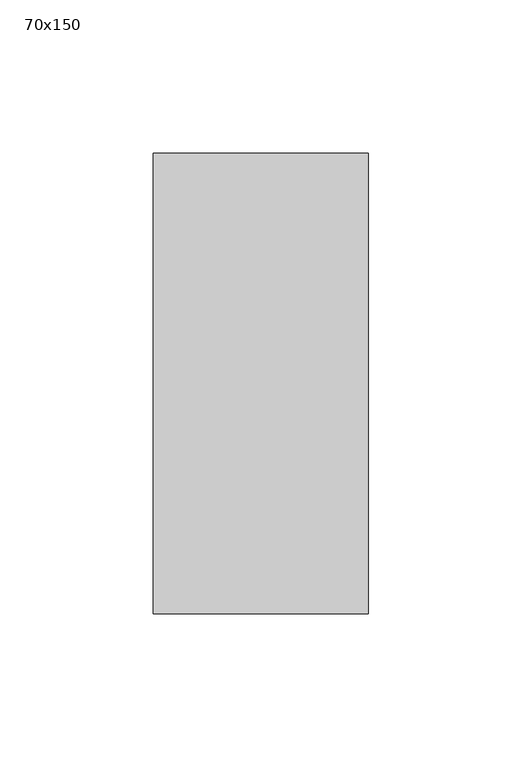
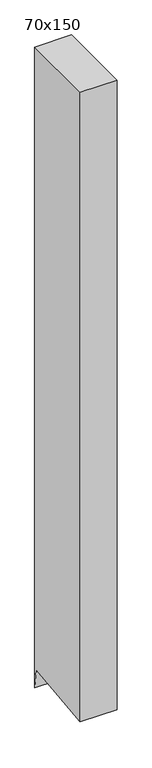
"""IFC4 building model written with IfcOpenShell, lengths in millimetres: member geometry, 70x150."""

import ifcopenshell
import ifcopenshell.guid

model = None  # the IFC model being written
_history = None  # IfcOwnerHistory: only IFC2X3 demands one
_inside = {}  # id of a spatial element -> (the spatial element, [elements in it])
_under = {}  # id of a project, library or spatial element -> (it, [spatial elements below it])
_declared = {}  # id of a project -> (the project, [libraries it declares])
_typed = {}  # id of a type object -> (the type object, [elements of that type])
_made_of = {}  # id of a material, layer set ... -> (it, [elements and type objects made of it])


def new_model(schema):
    """Start an empty IFC model of exactly this schema.

    Asked for "IFC4X3", IfcOpenShell would pick the latest addendum, in which some entities
    have other attributes; the version numbers below select the first issue.
    IFC2X3 requires an IfcOwnerHistory on every rooted entity: one is made here for all.
    """
    global model, _history
    if schema == "IFC4X3":
        model = ifcopenshell.file(schema_version=(4, 3, 0, 0))
    else:
        model = ifcopenshell.file(schema=schema)
    _inside.clear()
    _under.clear()
    _declared.clear()
    _typed.clear()
    _made_of.clear()
    _history = None
    if model.schema == "IFC2X3":
        org = make("IfcOrganization", Name="unknown")
        user = make(
            "IfcPersonAndOrganization",
            ThePerson=make("IfcPerson", FamilyName="unknown"),
            TheOrganization=org,
        )
        app = make(
            "IfcApplication",
            ApplicationDeveloper=org,
            Version="unknown",
            ApplicationFullName="unknown",
            ApplicationIdentifier="unknown",
        )
        _history = make(
            "IfcOwnerHistory",
            OwningUser=user,
            OwningApplication=app,
            ChangeAction="ADDED",
            CreationDate=0,
        )
    return model


def make(cls, **values):
    """One entity of the class cls with the attributes given. An attribute that is None is left unset."""
    return model.create_entity(
        cls, **{name: value for name, value in values.items() if value is not None}
    )


def rooted(cls, **values):
    """An entity with a GlobalId (a new one), such as an element, a storey or a relation."""
    return make(cls, GlobalId=ifcopenshell.guid.new(), OwnerHistory=_history, **values)


def si_unit(unit_type, name, prefix=None):
    """IfcSIUnit, for example si_unit("LENGTHUNIT", "METRE", prefix="MILLI")."""
    return make("IfcSIUnit", UnitType=unit_type, Prefix=prefix, Name=name)


def assignment(units):
    """IfcUnitAssignment: the units of a project."""
    return None if units is None else make("IfcUnitAssignment", Units=units)


def point(xyz):
    """IfcCartesianPoint."""
    return None if xyz is None else make("IfcCartesianPoint", Coordinates=xyz)


def direction(xyz):
    """IfcDirection."""
    return None if xyz is None else make("IfcDirection", DirectionRatios=xyz)


def frame(location, z_axis=None, x_axis=None):
    """IfcAxis2Placement3D, a coordinate frame: its origin and axes. An axis left out is left unset."""
    return make(
        "IfcAxis2Placement3D",
        Location=point(location),
        Axis=direction(z_axis),
        RefDirection=direction(x_axis),
    )


def origin():
    """The frame at (0, 0, 0) with its axes left unset."""
    return frame((0.0, 0.0, 0.0))


def place(relative_to, where):
    """IfcLocalPlacement: puts the frame where relative to a parent placement (None: the world)."""
    return make(
        "IfcLocalPlacement", PlacementRelTo=relative_to, RelativePlacement=where
    )


def context(
    kind, dimensions, precision=None, world=None, true_north=None, identifier=None
):
    """IfcGeometricRepresentationContext, for example the 3D "Model" context."""
    return make(
        "IfcGeometricRepresentationContext",
        ContextIdentifier=identifier,
        ContextType=kind,
        CoordinateSpaceDimension=dimensions,
        Precision=precision,
        WorldCoordinateSystem=world,
        TrueNorth=true_north,
    )


def project(units=None, contexts=None):
    """IfcProject with its units and contexts."""
    return rooted(
        "IfcProject",
        Name="project",
        RepresentationContexts=contexts,
        UnitsInContext=assignment(units),
    )


def spatial(cls, under=None, at=None, **own):
    """A site, building, storey or space (cls), placed at a placement, below another one or the project."""
    s = rooted(cls, ObjectPlacement=at, **own)
    if under is not None:
        _under.setdefault(under.id(), (under, []))[1].append(s)
    return s


def polyline(points):
    """IfcPolyline through the points."""
    return make("IfcPolyline", Points=[point(p) for p in points])


def outline(outer, holes=None, kind="AREA"):
    """IfcArbitraryClosedProfileDef: a profile drawn as a closed curve; with holes, ...WithVoids."""
    if holes is None:
        return make("IfcArbitraryClosedProfileDef", ProfileType=kind, OuterCurve=outer)
    return make(
        "IfcArbitraryProfileDefWithVoids",
        ProfileType=kind,
        OuterCurve=outer,
        InnerCurves=holes,
    )


def extrude(swept, where, along, depth):
    """IfcExtrudedAreaSolid: the profile swept, set in the frame where, extruded along a direction by depth."""
    return make(
        "IfcExtrudedAreaSolid",
        SweptArea=swept,
        Position=where,
        ExtrudedDirection=direction(along),
        Depth=depth,
    )


def shape(context_of_items, identifier, shape_type, items):
    """IfcShapeRepresentation: the items that make up one representation, for example the "Body"."""
    return make(
        "IfcShapeRepresentation",
        ContextOfItems=context_of_items,
        RepresentationIdentifier=identifier,
        RepresentationType=shape_type,
        Items=items,
    )


def source(mapping_origin, context_of_items, identifier, shape_type, items):
    """IfcRepresentationMap: a shape defined once, which mapped items show again and again."""
    return make(
        "IfcRepresentationMap",
        MappingOrigin=mapping_origin,
        MappedRepresentation=shape(context_of_items, identifier, shape_type, items),
    )


def transform(
    local_origin,
    x_axis=None,
    y_axis=None,
    z_axis=None,
    scale=None,
    scale2=None,
    scale3=None,
    uniform=True,
):
    """IfcCartesianTransformationOperator3D, or its non-uniform kind. x_axis, y_axis, z_axis: its Axis1, 2, 3."""
    if uniform:
        return make(
            "IfcCartesianTransformationOperator3D",
            Axis1=direction(x_axis),
            Axis2=direction(y_axis),
            LocalOrigin=point(local_origin),
            Scale=scale,
            Axis3=direction(z_axis),
        )
    return make(
        "IfcCartesianTransformationOperator3DnonUniform",
        Axis1=direction(x_axis),
        Axis2=direction(y_axis),
        LocalOrigin=point(local_origin),
        Scale=scale,
        Axis3=direction(z_axis),
        Scale2=scale2,
        Scale3=scale3,
    )


def mapped(mapping_source, mapping_target):
    """IfcMappedItem: shows the shape of a source again, moved by a transform."""
    return make(
        "IfcMappedItem", MappingSource=mapping_source, MappingTarget=mapping_target
    )


def made_of(thing, what):
    """Note that an element or type object is made of a material, layer set ...; save() writes the relation."""
    if what is not None:
        _made_of.setdefault(what.id(), (what, []))[1].append(thing)
    return thing


def element(
    cls,
    number,
    at=None,
    inside=None,
    cuts=None,
    type_object=None,
    material=None,
    context=None,
    identifier="Body",
    shape_type=None,
    held_by="IfcProductDefinitionShape",
    body=None,
    shapes=None,
    **own,
):
    """One element of the class cls, such as IfcWall. Its Tag is "e" and its number.

    at: its placement. inside: the storey or other place that contains it. cuts: it is an
    opening in that element (IfcRelVoidsElement). A single representation is given by context,
    identifier, shape_type and body (its items); several are given by shapes. held_by: the class
    of the entity that holds the representations. save() writes the other relations.
    """
    e = rooted(cls, Tag="e%d" % number, ObjectPlacement=at, **own)
    if body is not None:
        shapes = [shape(context, identifier, shape_type, body)]
    if shapes is not None:
        e.Representation = make(held_by, Representations=shapes)
    if inside is not None:
        _inside.setdefault(inside.id(), (inside, []))[1].append(e)
    if cuts is not None:
        rooted(
            "IfcRelVoidsElement", RelatingBuildingElement=cuts, RelatedOpeningElement=e
        )
    if type_object is not None:
        _typed.setdefault(type_object.id(), (type_object, []))[1].append(e)
    return made_of(e, material)


def aggregate(whole, parts):
    """IfcRelAggregates: a whole, such as a stair, and the parts it consists of."""
    return rooted("IfcRelAggregates", RelatingObject=whole, RelatedObjects=parts)


def save(model, path):
    """Write the relations noted so far, then the file.

    IfcRelAggregates (storeys below a building ...), IfcRelContainedInSpatialStructure (elements
    in a storey), IfcRelDefinesByType, IfcRelAssociatesMaterial and IfcRelDeclares: one each for
    every whole, place, type object, material and project.
    """
    for whole, parts in _under.values():
        aggregate(whole, parts)
    for where, things in _inside.values():
        rooted(
            "IfcRelContainedInSpatialStructure",
            RelatedElements=things,
            RelatingStructure=where,
        )
    for kind, things in _typed.values():
        rooted("IfcRelDefinesByType", RelatedObjects=things, RelatingType=kind)
    for what, things in _made_of.values():
        rooted("IfcRelAssociatesMaterial", RelatedObjects=things, RelatingMaterial=what)
    for by, libraries in _declared.values():
        rooted("IfcRelDeclares", RelatingContext=by, RelatedDefinitions=libraries)
    model.write(path)


def member_70x150_9a5e286f(model_context):
    return source(origin(), model_context, "Body", "SweptSolid", [
        extrude(outline(polyline([(-75.0, 0.0), (75.0, 0.0), (75.0, -1288.6902019), (70.6284068, -1249.7391828), (-75.0, -1266.0835087), (-75.0, 0.0)])), frame((-70.0, 0.0, 0.0), z_axis=(1.0, 0.0, 0.0), x_axis=(0.0, 1.0, 0.0)), (0.0, 0.0, 1.0), 70.0),
    ])


if __name__ == "__main__":
    model = new_model("IFC4")
    model_context = context("Model", 3, world=origin())
    ifc_project = project(units=[si_unit("LENGTHUNIT", "METRE", prefix="MILLI")], contexts=[model_context])
    site = spatial("IfcSite", under=ifc_project)
    building = spatial("IfcBuilding", under=site)
    placement = place(None, origin())
    member_70x150_shape = member_70x150_9a5e286f(model_context)
    element("IfcMember", 1, ObjectType="70x150", at=placement, inside=building, context=model_context, shape_type="MappedRepresentation", body=[
        mapped(member_70x150_shape, transform((0.0, 0.0, 0.0), x_axis=(1.0, 0.0, 0.0), y_axis=(0.0, 1.0, 0.0), z_axis=(0.0, 0.0, 1.0))),
    ])
    save(model, "model.ifc")
